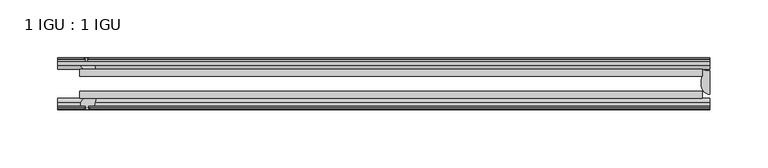
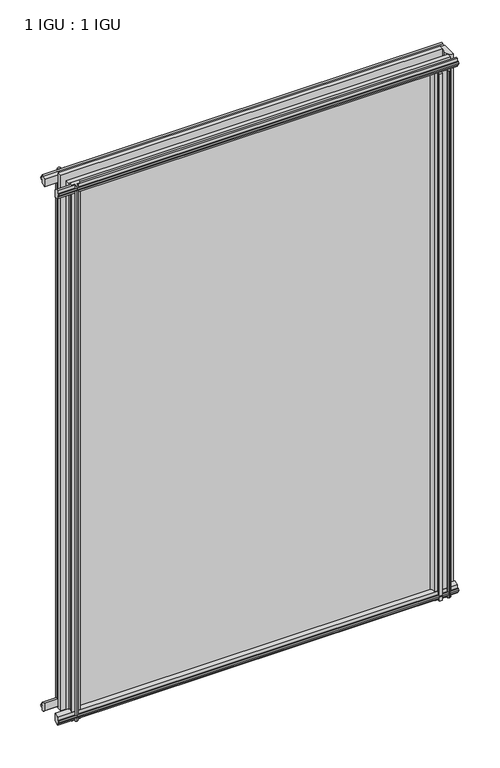
"""IFC4 building model written with IfcOpenShell, lengths in millimetres: plate geometry, 1 IGU : 1 IGU."""

from ifc_helpers import new_model, si_unit, point, frame, frame_2d, origin, place, context, project, spatial, polyline, circle_curve, ellipse_curve, trimmed, segment, composite_curve, outline, extrude, source, transform, mapped, element, save
from ifc_brep_helpers import plane_surface, cylinder_surface, revolved_surface, extruded_surface, advanced_brep


def plate_1_igu_1_igu_7e28efa2(model_context):
    return source(origin(), model_context, "Body", "SolidModel", [
        extrude(outline(polyline([(-263.5249999, -38.6468937), (276.2249999, -38.6468937), (276.2249999, -44.9460938), (-263.5249999, -44.9460938), (-263.5249999, -38.6468937)])), frame((0.0, 0.0, -12.7), z_axis=(0.0, 0.0, 1.0), x_axis=(1.0, 0.0, 0.0)), (0.0, 0.0, 1.0), 800.0872996),
        extrude(outline(polyline([(-263.5249999, -19.5460937), (276.2249999, -19.5460937), (276.2249999, -25.8960938), (-263.5249999, -25.8960938), (-263.5249999, -19.5460937)])), frame((0.0, 0.0, -12.7), z_axis=(0.0, 0.0, 1.0), x_axis=(1.0, 0.0, 0.0)), (0.0, 0.0, 1.0), 800.0872996),
        advanced_brep(
        [(282.5749999, -21.1709383, -12.4587), (282.5749999, -41.5384061, -12.4587), (275.0526628, -32.2460938, -12.4587), (276.2249999, -25.8452938, -12.4587), (276.2249999, -19.5460938, -12.4587), (282.5749999, -21.1709383, 787.3872996), (276.2249999, -19.5460938, 787.3872996), (276.2249999, -25.8452938, 787.3872996), (275.0526628, -32.2460938, 787.3872996), (282.5749999, -41.5384061, 787.3872996)],
        [
            (0, 1),
            (1, 2, ellipse_curve(frame((282.5749999, -32.2460938, -12.4587), z_axis=(0.0, 0.0, -1.0), x_axis=(0.0, -1.0, 0.0)), 9.2923124, 7.5223371)),
            (2, 3, circle_curve(frame((293.1125763, -32.2460938, -12.4587), z_axis=(0.0, 0.0, -1.0), x_axis=(1.0, 0.0, 0.0)), 18.0599135)),
            (3, 4),
            (4, 0, circle_curve(frame((282.5749999, -7.950406, -12.4587), z_axis=(0.0, 0.0, 1.0), x_axis=(1.0, 0.0, 0.0)), 13.2205323)),
            (5, 6, circle_curve(frame((282.5749999, -7.950406, 787.3872996), z_axis=(0.0, 0.0, -1.0), x_axis=(1.0, 0.0, 0.0)), 13.2205323)),
            (6, 7),
            (7, 8, circle_curve(frame((293.1125763, -32.2460938, 787.3872996), z_axis=(0.0, 0.0, 1.0), x_axis=(1.0, 0.0, 0.0)), 18.0599135)),
            (8, 9, ellipse_curve(frame((282.5749999, -32.2460938, 787.3872996), z_axis=(0.0, 0.0, 1.0), x_axis=(0.0, -1.0, 0.0)), 9.2923124, 7.5223371)),
            (9, 5),
            (1, 9),
            (8, 2),
            (7, 3),
            (6, 4),
            (5, 0),
        ],
        [
            plane_surface(frame((282.5749999, -13.1960938, -12.4587), z_axis=(0.0, 0.0, -1.0), x_axis=(0.0, 1.0, 0.0))),
            plane_surface(frame((282.5749999, -13.1960938, 787.3872996), z_axis=(0.0, 0.0, 1.0), x_axis=(0.0, 1.0, 0.0))),
            extruded_surface(trimmed(ellipse_curve(frame((282.5749999, -32.2460938, 787.3872996), z_axis=(0.0, 0.0, -1.0), x_axis=(0.0, -1.0, 0.0)), 9.2923124, 7.5223371), [point((282.5749999, -41.5384061, 787.3872996))], [point((275.0526628, -32.2460938, 787.3872996))], True, "CARTESIAN"), (0.0, 0.0, -799.8459996), 799.8459996),
            cylinder_surface(frame((293.1125763, -32.2460938, -12.4587), z_axis=(0.0, 0.0, -1.0), x_axis=(1.0, 0.0, 0.0)), 18.0599135),
            plane_surface(frame((276.2249999, -25.8452938, -12.4587), z_axis=(-1.0, 0.0, 0.0), x_axis=(0.0, 0.0, 1.0))),
            revolved_surface(polyline([(295.7955322, -7.950406, 787.3872996), (295.7955322, -7.950406, -12.4587)]), (282.5749999, -7.950406, -12.4587), (0.0, 0.0, 1.0)),
            plane_surface(frame((282.5749999, -21.1709383, -12.4587), z_axis=(1.0, 0.0, 0.0), x_axis=(0.0, 0.0, 1.0))),
        ],
        [
            (0, [[1, 2, 3, 4, 5]]),
            (1, [[6, 7, 8, 9, 10]]),
            (2, [[-2, 11, -9, 12]]),
            (3, [[-3, -12, -8, 13]]),
            (4, [[-4, -13, -7, 14]]),
            (5, [[-5, -14, -6, 15]]),
            (6, [[-1, -15, -10, -11]]),
        ],
    ),
        extrude(outline(polyline([(-44.9460937, 1.7177181), (-44.9460937, -9.1036578), (-48.3496937, -11.938), (-51.2960937, -11.938), (-51.2960937, -7.493), (-53.6762907, -7.112), (-53.2163575, -8.5275291), (-54.0175717, -8.5275291), (-54.7250937, -6.35), (-54.0175717, -4.1724709), (-53.2163575, -4.1724709), (-53.6762907, -5.588), (-51.2960937, -5.207), (-51.2960937, 0.0), (-44.9460937, 1.7177181)])), frame((-282.5749999, 0.0, 0.0), z_axis=(1.0, 0.0, 0.0), x_axis=(0.0, 1.0, 0.0)), (0.0, 0.0, 1.0), 565.1499998),
        extrude(outline(polyline([(-13.1960937, -12.4587), (-16.1424937, -12.4587), (-19.5460937, -9.6243578), (-19.5460937, 1.1970181), (-13.1960937, -0.5207), (-13.1960937, -5.7277), (-10.8158968, -6.1087), (-11.27583, -4.6931709), (-10.4746158, -4.6931709), (-9.7670937, -6.8707), (-10.4746158, -9.0482291), (-11.27583, -9.0482291), (-10.8158968, -7.6327), (-13.1960937, -8.0137), (-13.1960937, -12.4587)])), frame((-282.5749999, 0.0, 0.0), z_axis=(1.0, 0.0, 0.0), x_axis=(0.0, 1.0, 0.0)), (0.0, 0.0, 1.0), 565.1499998),
        extrude(outline(polyline([(-51.2960937, 786.6252996), (-48.3496937, 786.6252996), (-44.9460937, 783.7909574), (-44.9460937, 772.9695815), (-51.2960937, 774.6872996), (-51.2960937, 779.8942996), (-53.6762907, 780.2752996), (-53.2163575, 778.8597705), (-54.0175717, 778.8597705), (-54.7250937, 781.0372996), (-54.0175717, 783.2148286), (-53.2163575, 783.2148286), (-53.6762907, 781.7992996), (-51.2960937, 782.1802996), (-51.2960937, 786.6252996)])), frame((-282.5749999, 0.0, 0.0), z_axis=(1.0, 0.0, 0.0), x_axis=(0.0, 1.0, 0.0)), (0.0, 0.0, 1.0), 565.1499998),
        extrude(outline(polyline([(-19.5460937, 773.4902815), (-19.5460937, 784.3116574), (-16.1424937, 787.1459996), (-13.1960937, 787.1459996), (-13.1960937, 782.7009996), (-10.8158968, 782.3199996), (-11.27583, 783.7355286), (-10.4746158, 783.7355286), (-9.7670937, 781.5579996), (-10.4746158, 779.3804705), (-11.27583, 779.3804705), (-10.8158968, 780.7959996), (-13.1960937, 780.4149996), (-13.1960937, 775.2079996), (-19.5460937, 773.4902815)])), frame((-282.5749999, 0.0, 0.0), z_axis=(1.0, 0.0, 0.0), x_axis=(0.0, 1.0, 0.0)), (0.0, 0.0, 1.0), 565.1499998),
        extrude(outline(composite_curve([segment(polyline([(273.0500001, -44.9460938), (273.0500001, -51.2960938), (271.3990001, -51.2960938), (271.3990001, -52.9470938), (272.4766308, -52.9470938)]), True, "CONTINUOUS"), segment(trimmed(circle_curve(frame_2d((271.3990001, -52.9470938)), 1.0776307), [point((272.4766308, -52.9470938))], [point((272.1610001, -53.7090938))], False, "CARTESIAN"), True, "CONTINUOUS"), segment(polyline([(272.1610001, -53.7090938), (270.4217077, -54.8194621)]), True, "CONTINUOUS"), segment(trimmed(circle_curve(frame_2d((269.8750001, -53.9630938)), 1.016), [point((270.4217077, -54.8194621))], [point((269.3282925, -54.8194621))], False, "CARTESIAN"), True, "CONTINUOUS"), segment(polyline([(269.3282925, -54.8194621), (267.5890001, -53.7090938)]), True, "CONTINUOUS"), segment(trimmed(circle_curve(frame_2d((268.3510001, -52.9470938)), 1.0776307), [point((267.5890001, -53.7090938))], [point((267.2733693, -52.9470938))], False, "CARTESIAN"), True, "CONTINUOUS"), segment(polyline([(267.2733693, -52.9470938), (268.3510001, -52.9470938), (268.3510001, -51.2960938), (259.2832001, -51.2960938)]), True, "CONTINUOUS"), segment(trimmed(circle_curve(frame_2d((259.2832001, -51.7532938)), 0.4572), [point((259.2832001, -51.2960938))], [point((258.9443822, -52.0602698))], True, "CARTESIAN"), True, "CONTINUOUS"), segment(trimmed(circle_curve(frame_2d((257.1750001, -53.663367)), 2.3876), [point((258.9443822, -52.0602698))], [point((259.2456431, -54.8520938))], False, "CARTESIAN"), True, "CONTINUOUS"), segment(polyline([(259.2456431, -54.8520938), (255.1043571, -54.8520938)]), True, "CONTINUOUS"), segment(trimmed(circle_curve(frame_2d((257.1750001, -53.663367)), 2.3876), [point((255.1043571, -54.8520938))], [point((255.4056179, -52.0602698))], False, "CARTESIAN"), True, "CONTINUOUS"), segment(trimmed(circle_curve(frame_2d((255.0668001, -51.7532938)), 0.4572), [point((255.4056179, -52.0602698))], [point((255.0668001, -51.2960938))], True, "CARTESIAN"), True, "CONTINUOUS"), segment(polyline([(255.0668001, -51.2960938), (250.8250001, -51.2960938)]), True, "CONTINUOUS"), segment(trimmed(circle_curve(frame_2d((241.8090686, -51.9750196)), 9.0414579), [point((250.8250001, -51.2960938))], [point((247.4960855, -44.9460938))], True, "CARTESIAN"), True, "CONTINUOUS"), segment(polyline([(247.4960855, -44.9460938), (273.0500001, -44.9460938)]), True, "CONTINUOUS")], self_intersect=False)), frame((0.0, 0.0, -12.7), z_axis=(0.0, 0.0, 1.0), x_axis=(1.0, 0.0, 0.0)), (0.0, 0.0, 1.0), 787.3872996),
        extrude(outline(polyline([(-257.6956999, -9.7670937), (-255.5181709, -10.4746158), (-255.5181709, -11.27583), (-256.9336999, -10.8158968), (-256.5526999, -13.1960937), (-251.3456999, -13.1960937), (-249.6279818, -19.5460937), (-260.4493578, -19.5460937), (-263.2836999, -16.1424937), (-263.2836999, -13.1960937), (-258.8386999, -13.1960937), (-258.4576999, -10.8158968), (-259.873229, -11.27583), (-259.873229, -10.4746158), (-257.6956999, -9.7670937)])), frame((0.0, 0.0, -12.7), z_axis=(0.0, 0.0, 1.0), x_axis=(1.0, 0.0, 0.0)), (0.0, 0.0, 1.0), 800.0872997),
        extrude(outline(polyline([(-262.7629999, -48.3496937), (-259.9286578, -44.9460937), (-249.1072818, -44.9460937), (-250.8249999, -51.2960937), (-256.0319999, -51.2960937), (-256.4129999, -53.6762907), (-254.9974709, -53.2163575), (-254.9974709, -54.0175717), (-257.1749999, -54.7250937), (-259.352529, -54.0175717), (-259.352529, -53.2163575), (-257.9369999, -53.6762907), (-258.3179999, -51.2960937), (-262.7629999, -51.2960937), (-262.7629999, -48.3496937)])), frame((0.0, 0.0, -12.7), z_axis=(0.0, 0.0, 1.0), x_axis=(1.0, 0.0, 0.0)), (0.0, 0.0, 1.0), 800.0872997),
    ])


if __name__ == "__main__":
    model = new_model("IFC4")
    model_context = context("Model", 3, world=origin())
    ifc_project = project(units=[si_unit("LENGTHUNIT", "METRE", prefix="MILLI")], contexts=[model_context])
    site = spatial("IfcSite", under=ifc_project)
    building = spatial("IfcBuilding", under=site)
    placement = place(None, origin())
    plate_1_igu_1_igu_shape = plate_1_igu_1_igu_7e28efa2(model_context)
    element("IfcPlate", 1, ObjectType="1 IGU : 1 IGU", at=placement, inside=building, context=model_context, shape_type="MappedRepresentation", body=[
        mapped(plate_1_igu_1_igu_shape, transform((0.0, 0.0, 0.0), x_axis=(1.0, 0.0, 0.0), y_axis=(0.0, 1.0, 0.0), z_axis=(0.0, 0.0, 1.0))),
    ])
    save(model, "model.ifc")
